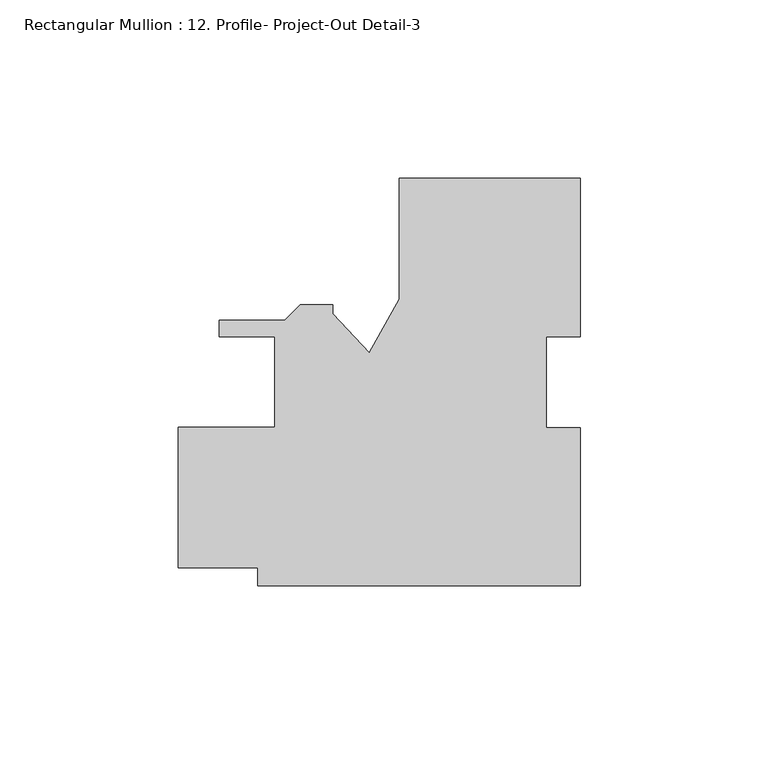
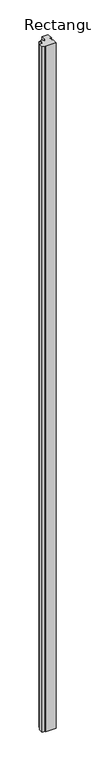
"""IFC4 building model written with IfcOpenShell, lengths in millimetres: member geometry, Rectangular Mullion : 12. Profile- Project-Out Detail-3."""

from ifc_helpers import new_model, si_unit, frame, origin, place, context, project, spatial, polyline, outline, extrude, source, transform, mapped, element, save


def rectangular_mullion_12_profile_project_out_detail_3_fbeae425(model_context):
    return source(origin(), model_context, "Body", "SweptSolid", [
        extrude(outline(polyline([(26.9372786, -12.7879735), (26.9372786, -57.1829709), (-63.5502214, -57.1829709), (-63.5502214, -52.1029074), (-85.7752214, -52.1029074), (-85.7752214, -12.7329076), (-58.7877219, -12.7329076), (-58.7877219, 12.6670925), (-74.2848778, 12.6670925), (-74.2848778, 17.3660926), (-55.9063631, 17.3660926), (-51.6391631, 21.6332926), (-42.5388709, 21.6332926), (-42.5388709, 19.0932927), (-32.2085853, 8.2464929), (-23.8627214, 23.1572927), (-23.8627214, 57.1170926), (26.9372786, 57.1170926), (26.9372786, 12.6997248), (17.4122786, 12.6997248), (17.4122786, -12.7879735), (26.9372786, -12.7879735)])), frame((0.0, 0.0, -6032.5), z_axis=(0.0, 0.0, 1.0), x_axis=(1.0, 0.0, 0.0)), (0.0, 0.0, 1.0), 6032.5),
    ])


if __name__ == "__main__":
    model = new_model("IFC4")
    model_context = context("Model", 3, world=origin())
    ifc_project = project(units=[si_unit("LENGTHUNIT", "METRE", prefix="MILLI")], contexts=[model_context])
    site = spatial("IfcSite", under=ifc_project)
    building = spatial("IfcBuilding", under=site)
    placement = place(None, origin())
    rectangular_mullion_12_profile_project_out_detail_3_shape = rectangular_mullion_12_profile_project_out_detail_3_fbeae425(model_context)
    element("IfcMember", 1, ObjectType="Rectangular Mullion : 12. Profile- Project-Out Detail-3", at=placement, inside=building, context=model_context, shape_type="MappedRepresentation", body=[
        mapped(rectangular_mullion_12_profile_project_out_detail_3_shape, transform((0.0, 0.0, 0.0), x_axis=(1.0, 0.0, 0.0), y_axis=(0.0, 1.0, 0.0), z_axis=(0.0, 0.0, 1.0))),
    ])
    save(model, "model.ifc")
